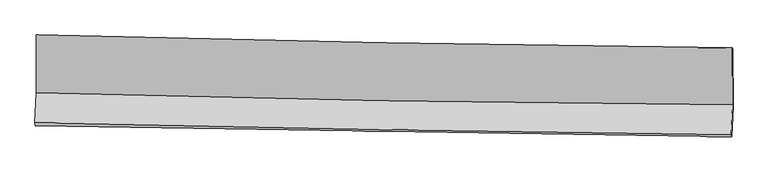
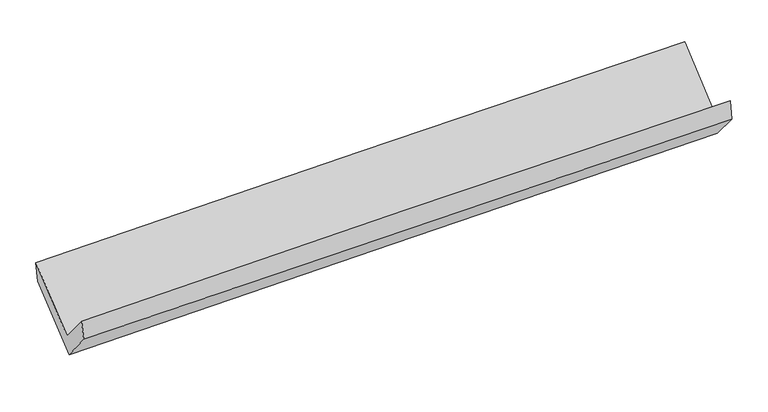
"""IFC4 building model written with IfcOpenShell, lengths in millimetres: proxy geometry."""

from ifc_helpers import new_model, si_unit, frame, origin, place, context, project, spatial, source, transform, mapped, element, save
from ifc_brep_helpers import plane_surface, spline_curve, spline_surface, advanced_brep


def generic_models_5d355229(model_context):
    return source(origin(), model_context, "Body", "AdvancedBrep", [
        advanced_brep(
        [(-3018.8855326, -1165.3400899, 2154.4818058), (-3016.8537569, -1667.0282957, 1732.5714622), (3008.1185428, -1769.1702749, 1869.8231938), (3005.3182115, -1277.24005, 2303.1775485), (-3028.830714, -1925.3780849, 2039.8507638), (2995.9879997, -2030.8533385, 2180.9066535), (-3025.0944285, -1950.4648377, 1872.3563303), (3000.1607249, -2048.0591468, 2003.7158428), (-3013.0585617, -1693.9463471, 1561.462909), (3011.8633509, -1790.5374233, 1706.9246575), (-3015.1005065, -1190.2948142, 1985.113708), (3009.5011794, -1286.0073367, 2131.102971)],
        [
            (0, 1),
            (1, 2, spline_curve(3, [(-3016.8537569, -1667.0282957, 1732.5714622), (-2013.010759611, -1694.493367837, 1761.29059122), (-1009.009092502, -1716.737729785, 1787.087785674), (999.315006279, -1750.785091886, 1832.838382958), (2003.637439237, -1762.588056149, 1852.791765575), (3008.1185428, -1769.1702749, 1869.8231938)], [4, 2, 4], [0.0, 9.88741070328322, 19.774855134357196])),
            (2, 3),
            (3, 0, spline_curve(3, [(3005.3182115, -1277.24005, 2303.1775485), (2000.790522254, -1267.288370138, 2292.390952067), (996.508842918, -1252.987510121, 2274.606308957), (-1011.559069978, -1215.687493497, 2225.041013581), (-2015.345305624, -1192.688366998, 2193.260409211), (-3018.8855326, -1165.3400899, 2154.4818058)], [4, 2, 4], [0.0, 9.887444431073977, 19.774855134357196])),
            (1, 4),
            (4, 5, spline_curve(3, [(-3028.830714, -1925.3780849, 2039.8507638), (-2024.989398626, -1947.328666183, 2072.290222867), (-1021.001371605, -1967.093549957, 2100.264597539), (987.271532095, -2002.251983008, 2147.283257656), (1991.556409384, -2017.645516805, 2166.327513235), (2995.9879997, -2030.8533385, 2180.9066535)], [4, 2, 4], [0.0, 9.887602460945637, 19.775238650336153])),
            (5, 2),
            (4, 6),
            (6, 7, spline_curve(3, [(-3025.0944285, -1950.4648377, 1872.3563303), (-2020.906640882, -1965.294168563, 1896.092479093), (-1016.709007128, -1980.841678068, 1918.907162743), (991.709377065, -2013.373109418, 1962.693672939), (1995.930127928, -2030.357036469, 1983.665493946), (3000.1607249, -2048.0591468, 2003.7158428)], [4, 2, 4], [0.0, 9.887547264154133, 19.77512825656486])),
            (7, 5),
            (6, 8),
            (8, 9, spline_curve(3, [(-3013.0585617, -1693.9463471, 1561.462909), (-2008.962854519, -1712.123142986, 1586.7030936), (-1004.839031238, -1729.260785204, 1611.444978463), (1003.468272786, -1761.457817711, 1659.932231036), (2007.651753535, -1776.51720069, 1683.677595893), (3011.8633509, -1790.5374233, 1706.9246575)], [4, 2, 4], [0.0, 9.887552090047189, 19.775137908367434])),
            (9, 7),
            (8, 10),
            (10, 11, spline_curve(3, [(-3015.1005065, -1190.2948142, 1985.113708), (-2011.083295088, -1202.940000505, 2015.037857148), (-1007.025405499, -1217.238620859, 2042.165687672), (1001.175156265, -1249.142783757, 2090.828794728), (2005.317828441, -1266.748337622, 2112.364051615), (3009.5011794, -1286.0073367, 2131.102971)], [4, 2, 4], [0.0, 9.887287602755272, 19.774608932881385])),
            (11, 9),
            (10, 0),
            (3, 11),
        ],
        [
            spline_surface(3, 3, [[(-3018.8855326, -1165.3400899, 2154.4818058), (-2015.345305525, -1192.688366959, 2193.260409203), (-1011.559070038, -1215.687493631, 2225.041013605), (996.508842978, -1252.987509987, 2274.606308933), (2000.790522202, -1267.288370046, 2292.390952061), (3005.3182115, -1277.24005, 2303.1775485)], [(-3018.208274036, -1332.569491844, 2013.845024604), (-2014.567123531, -1359.95670058, 2049.270469932), (-1010.709077546, -1382.704239024, 2079.056604323), (997.444230743, -1418.920037263, 2127.350333586), (2001.739494543, -1432.38826545, 2145.85788993), (3006.251655286, -1441.216791644, 2158.726096918)], [(-3017.531015464, -1499.798893756, 1873.208243396), (-2013.788941527, -1527.22503417, 1905.280530648), (-1009.85908502, -1549.720984441, 1933.072195032), (998.379618541, -1584.852564561, 1980.09435823), (2002.688466826, -1597.488160821, 1999.324827844), (3007.185099014, -1605.193533256, 2014.274645382)], [(-3016.8537569, -1667.0282957, 1732.5714622), (-2013.010759533, -1694.493367792, 1761.290591377), (-1009.009092529, -1716.737729834, 1787.087785749), (999.315006306, -1750.785091837, 1832.838382883), (2003.637439168, -1762.588056224, 1852.791765713), (3008.1185428, -1769.1702749, 1869.8231938)]], [4, 4], [4, 2, 4], [0.0, 2.1834445271503338], [0.0, 9.88741070328322, 19.774855134357196]),
            spline_surface(3, 3, [[(-3016.8537569, -1667.0282957, 1732.5714622), (-2013.010759533, -1694.493367792, 1761.290591377), (-1009.009092529, -1716.737729834, 1787.087785749), (999.315006306, -1750.785091837, 1832.838382883), (2003.637439168, -1762.588056224, 1852.791765713), (3008.1185428, -1769.1702749, 1869.8231938)], [(-3020.846075926, -1753.144892094, 1834.997896063), (-2017.00363926, -1778.771800604, 1864.957135192), (-1013.00651887, -1800.189669929, 1891.480056295), (995.300514881, -1834.607388859, 1937.653341171), (1999.610429247, -1847.607209792, 1957.303681503), (3004.075028442, -1856.39796278, 1973.517680362)], [(-3024.838394974, -1839.261488506, 1937.424329937), (-2020.996519009, -1863.050233435, 1968.623679018), (-1017.003945206, -1883.641609996, 1995.872326871), (991.286023462, -1918.429685852, 2042.468299489), (1995.583419298, -1932.62636332, 2061.815597307), (3000.031514058, -1943.62565062, 2077.212166938)], [(-3028.830714, -1925.3780849, 2039.8507638), (-2024.989398736, -1947.328666247, 2072.290222833), (-1021.001371548, -1967.093550092, 2100.264597417), (987.271532037, -2002.251982874, 2147.283257778), (1991.556409377, -2017.645516888, 2166.327513097), (2995.9879997, -2030.8533385, 2180.9066535)]], [4, 4], [4, 2, 4], [0.0, 1.318792293406223], [0.0, 9.887602460945637, 19.775238650336153]),
            spline_surface(3, 3, [[(-3028.830714, -1925.3780849, 2039.8507638), (-2024.989398736, -1947.328666247, 2072.290222833), (-1021.001371548, -1967.093550092, 2100.264597417), (987.271532037, -2002.251982874, 2147.283257778), (1991.556409377, -2017.645516888, 2166.327513097), (2995.9879997, -2030.8533385, 2180.9066535)], [(-3027.58528551, -1933.740335827, 1984.019285966), (-2023.628479434, -1953.317167018, 2013.557641624), (-1019.570583459, -1971.676259383, 2039.812119154), (988.750813731, -2005.959025065, 2085.753396209), (1993.014315578, -2021.882690061, 2105.440173335), (2997.378908071, -2036.588607936, 2121.843049924)], [(-3026.33985699, -1942.102586773, 1928.187808134), (-2022.267560103, -1959.305667809, 1954.825060419), (-1018.139795319, -1976.258968711, 1979.359640882), (990.230095475, -2009.666067292, 2024.223534631), (1994.472221864, -2026.119863228, 2044.552833602), (2998.769816529, -2042.323877364, 2062.779446376)], [(-3025.0944285, -1950.4648377, 1872.3563303), (-2020.906640801, -1965.29416858, 1896.09247921), (-1016.709007231, -1980.841678003, 1918.907162619), (991.709377169, -2013.373109483, 1962.693673062), (1995.930128065, -2030.357036401, 1983.66549384), (3000.1607249, -2048.0591468, 2003.7158428)]], [4, 4], [4, 2, 4], [0.0, 0.6018618409959986], [0.0, 9.887547264154133, 19.77512825656486]),
            spline_surface(3, 3, [[(-3025.0944285, -1950.4648377, 1872.3563303), (-2020.906640801, -1965.29416858, 1896.09247921), (-1016.709007231, -1980.841678003, 1918.907162619), (991.709377169, -2013.373109483, 1962.693673062), (1995.930128065, -2030.357036401, 1983.66549384), (3000.1607249, -2048.0591468, 2003.7158428)], [(-3021.082472872, -1864.958674154, 1768.725189874), (-2016.925378689, -1880.903826684, 1792.962683986), (-1012.75234856, -1896.981380399, 1816.419767865), (995.629009041, -1929.401345558, 1861.773192457), (1999.837336621, -1945.743757866, 1883.669527875), (3004.061600257, -1962.218572301, 1904.785447707)], [(-3017.070517328, -1779.452510646, 1665.094049426), (-2012.944116661, -1796.513484825, 1689.832888739), (-1008.795689898, -1813.121082803, 1713.93237306), (999.548640904, -1845.42958164, 1760.8527118), (2003.744545107, -1861.130479327, 1783.673561891), (3007.962475543, -1876.377997799, 1805.855052593)], [(-3013.0585617, -1693.9463471, 1561.462909), (-2008.962854549, -1712.12314293, 1586.703093515), (-1004.839031228, -1729.2607852, 1611.444978305), (1003.468272776, -1761.457817715, 1659.932231194), (2007.651753664, -1776.517200793, 1683.677595926), (3011.8633509, -1790.5374233, 1706.9246575)]], [4, 4], [4, 2, 4], [0.0, 1.298358540078165], [0.0, 9.887552090047189, 19.775137908367434]),
            spline_surface(3, 3, [[(-3013.0585617, -1693.9463471, 1561.462909), (-2008.962854549, -1712.12314293, 1586.703093515), (-1004.839031228, -1729.2607852, 1611.444978305), (1003.468272776, -1761.457817715, 1659.932231194), (2007.651753664, -1776.517200793, 1683.677595926), (3011.8633509, -1790.5374233, 1706.9246575)], [(-3013.739209994, -1526.062502823, 1702.679841983), (-2009.66966812, -1542.395428828, 1729.481348078), (-1005.567822613, -1558.586730425, 1755.018548122), (1002.703900625, -1590.686139732, 1803.564418968), (2006.87377859, -1606.594246396, 1826.573081177), (3011.075960395, -1622.360727766, 1848.317428676)], [(-3014.419858206, -1358.178658477, 1843.896775017), (-2010.37648161, -1372.667714656, 1872.259602692), (-1006.296614085, -1387.912675638, 1898.592118003), (1001.939528388, -1419.914461736, 1947.196606805), (2006.095803531, -1436.671292002, 1969.4685664), (3010.288569905, -1454.184032234, 1989.710199824)], [(-3015.1005065, -1190.2948142, 1985.113708), (-2011.083295181, -1202.940000555, 2015.037857255), (-1007.02540547, -1217.238620863, 2042.16568782), (1001.175156237, -1249.142783752, 2090.828794579), (2005.317828457, -1266.748337605, 2112.36405165), (3009.5011794, -1286.0073367, 2131.102971)]], [4, 4], [4, 2, 4], [0.0, 2.195756538350372], [0.0, 9.887287602755272, 19.774608932881385]),
            spline_surface(3, 3, [[(-3015.1005065, -1190.2948142, 1985.113708), (-2011.083295181, -1202.940000555, 2015.037857255), (-1007.02540547, -1217.238620863, 2042.16568782), (1001.175156237, -1249.142783752, 2090.828794579), (2005.317828457, -1266.748337605, 2112.36405165), (3009.5011794, -1286.0073367, 2131.102971)], [(-3016.362181862, -1181.976572758, 2041.56974061), (-2012.503965291, -1199.522789347, 2074.445374581), (-1008.536626994, -1216.721578462, 2103.124129756), (999.619718483, -1250.424359173, 2152.087966038), (2003.808726353, -1266.928348392, 2172.373018467), (3008.106856748, -1283.084907773, 2188.461163513)], [(-3017.623857238, -1173.658331342, 2098.02577319), (-2013.924635415, -1196.105578166, 2133.852891877), (-1010.047848515, -1216.204536033, 2164.082571669), (998.064280732, -1251.705934567, 2213.347137474), (2002.299624306, -1267.108359259, 2232.381985245), (3006.712534152, -1280.162478927, 2245.819355987)], [(-3018.8855326, -1165.3400899, 2154.4818058), (-2015.345305525, -1192.688366959, 2193.260409203), (-1011.559070038, -1215.687493631, 2225.041013605), (996.508842978, -1252.987509987, 2274.606308933), (2000.790522202, -1267.288370046, 2292.390952061), (3005.3182115, -1277.24005, 2303.1775485)]], [4, 4], [4, 2, 4], [0.0, 0.6016657130725829], [0.0, 9.887081303953693, 19.7741963345745]),
            plane_surface(frame((3005.1583349, -1700.3112617, 2032.6084778), z_axis=(0.9995486234699549, -0.01645332877694877, 0.025136373872863275), x_axis=(-0.0035836436583737267, 0.7654211537413832, 0.6435197082478048))),
            plane_surface(frame((-3019.6372501, -1598.7420783, 1890.9728298), z_axis=(-0.9995504789427289, 0.0168221155756131, -0.024816455688160474), x_axis=(0.02210382895726344, -0.14573082074792296, -0.9890773218659726))),
        ],
        [
            (0, [[1, 2, 3, 4]]),
            (1, [[5, 6, 7, -2]]),
            (2, [[8, 9, 10, -6]]),
            (3, [[11, 12, 13, -9]]),
            (4, [[14, 15, 16, -12]]),
            (5, [[17, -4, 18, -15]]),
            (6, [[-16, -18, -3, -7, -10, -13]]),
            (7, [[-17, -14, -11, -8, -5, -1]]),
        ],
    ),
    ])


if __name__ == "__main__":
    model = new_model("IFC4")
    model_context = context("Model", 3, world=origin())
    ifc_project = project(units=[si_unit("LENGTHUNIT", "METRE", prefix="MILLI")], contexts=[model_context])
    site = spatial("IfcSite", under=ifc_project)
    building = spatial("IfcBuilding", under=site)
    placement = place(None, origin())
    generic_models_shape = generic_models_5d355229(model_context)
    element("IfcBuildingElementProxy", 1, Name="Generic Models", at=placement, inside=building, context=model_context, shape_type="MappedRepresentation", body=[
        mapped(generic_models_shape, transform((0.0, 0.0, 0.0), x_axis=(1.0, 0.0, 0.0), y_axis=(0.0, 1.0, 0.0), z_axis=(0.0, 0.0, 1.0))),
    ])
    save(model, "model.ifc")
